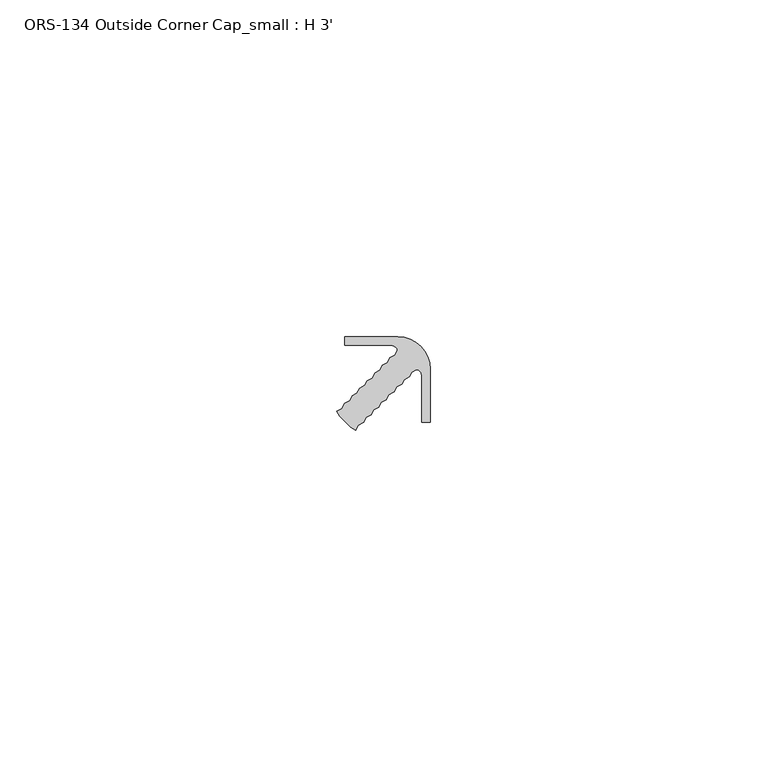
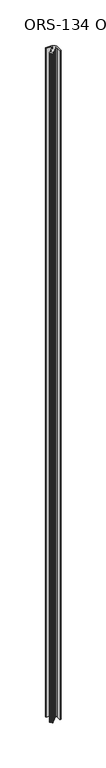
"""IFC4 building model written with IfcOpenShell, lengths in millimetres: proxy geometry, ORS-134 Outside Corner Cap_small : H 3'."""

from ifc_helpers import new_model, si_unit, point, frame_2d, origin, origin_with_axes, place, context, project, spatial, polyline, circle_curve, trimmed, segment, composite_curve, outline, extrude, source, transform, mapped, element, save


def ors_134_outside_corner_cap_small_h_3_d3701f08(model_context):
    return source(origin(), model_context, "Body", "SweptSolid", [
        extrude(outline(composite_curve([segment(polyline([(-2.0272416, -4.8650026), (-2.7596145, -5.2381652), (-3.1327771, -5.970538), (-3.8651499, -6.3437006), (-4.2383125, -7.0760735), (-4.9706854, -7.4492361), (-5.343848, -8.1816089), (-6.1271326, -8.6056833), (-6.5002952, -9.3380562), (-7.2326681, -9.7112188), (-7.6058307, -10.4435916), (-8.3891153, -10.867666), (-8.7622779, -11.6000389), (-9.4946508, -11.9732015), (-9.8678134, -12.7055743), (-10.651098, -13.1296487), (-11.0242606, -13.8620216), (-11.7948384, -13.4171282), (-12.6059833, -12.6059833), (-13.4171282, -11.7948384), (-13.8620216, -11.0242606), (-13.1296487, -10.651098), (-12.7055743, -9.8678134), (-11.9732015, -9.4946508), (-11.6000389, -8.7622779), (-10.867666, -8.3891153), (-10.4435916, -7.6058307), (-9.7112188, -7.2326681), (-9.3380562, -6.5002952), (-8.6056833, -6.1271326), (-8.1816089, -5.343848), (-7.4492361, -4.9706854), (-7.0760735, -4.2383125), (-6.3437006, -3.8651499), (-5.970538, -3.1327771), (-5.2381652, -2.7596145), (-4.8650026, -2.0272416)]), True, "CONTINUOUS"), segment(trimmed(circle_curve(frame_2d((-5.7719359, -2.1846401)), 0.9204903), [point((-4.8650026, -2.0272416))], [point((-5.8755496, -1.27))], True, "CARTESIAN"), True, "CONTINUOUS"), segment(polyline([(-5.8755496, -1.27), (-12.7, -1.27), (-12.7, 0.0), (-4.7752, 0.0)]), True, "CONTINUOUS"), segment(trimmed(circle_curve(frame_2d((-4.7752, -4.7752)), 4.7752), [point((-4.7752, 0.0))], [point((-1.3986237, -1.3986237))], False, "CARTESIAN"), True, "CONTINUOUS"), segment(trimmed(circle_curve(frame_2d((-4.7752, -4.7752)), 4.7752), [point((-1.3986237, -1.3986237))], [point((0.0, -4.7752))], False, "CARTESIAN"), True, "CONTINUOUS"), segment(polyline([(0.0, -4.7752), (0.0, -12.7), (-1.27, -12.7), (-1.27, -5.8755496)]), True, "CONTINUOUS"), segment(trimmed(circle_curve(frame_2d((-2.1846401, -5.7719359)), 0.9204903), [point((-1.27, -5.8755496))], [point((-2.0272416, -4.8650026))], True, "CARTESIAN"), True, "CONTINUOUS")], self_intersect=False)), origin_with_axes(), (0.0, 0.0, 1.0), 914.4),
    ])


if __name__ == "__main__":
    model = new_model("IFC4")
    model_context = context("Model", 3, world=origin())
    ifc_project = project(units=[si_unit("LENGTHUNIT", "METRE", prefix="MILLI")], contexts=[model_context])
    site = spatial("IfcSite", under=ifc_project)
    building = spatial("IfcBuilding", under=site)
    placement = place(None, origin())
    ors_134_outside_corner_cap_small_h_3_shape = ors_134_outside_corner_cap_small_h_3_d3701f08(model_context)
    element("IfcBuildingElementProxy", 1, Name="ORS-134 Outside Corner Cap_small : H 3'", ObjectType="ORS-134 Outside Corner Cap_small : H 3'", at=placement, inside=building, context=model_context, shape_type="MappedRepresentation", body=[
        mapped(ors_134_outside_corner_cap_small_h_3_shape, transform((0.0, 0.0, 0.0), x_axis=(1.0, 0.0, 0.0), y_axis=(0.0, 1.0, 0.0), z_axis=(0.0, 0.0, 1.0))),
    ])
    save(model, "model.ifc")
